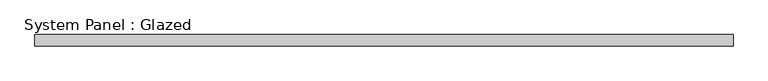
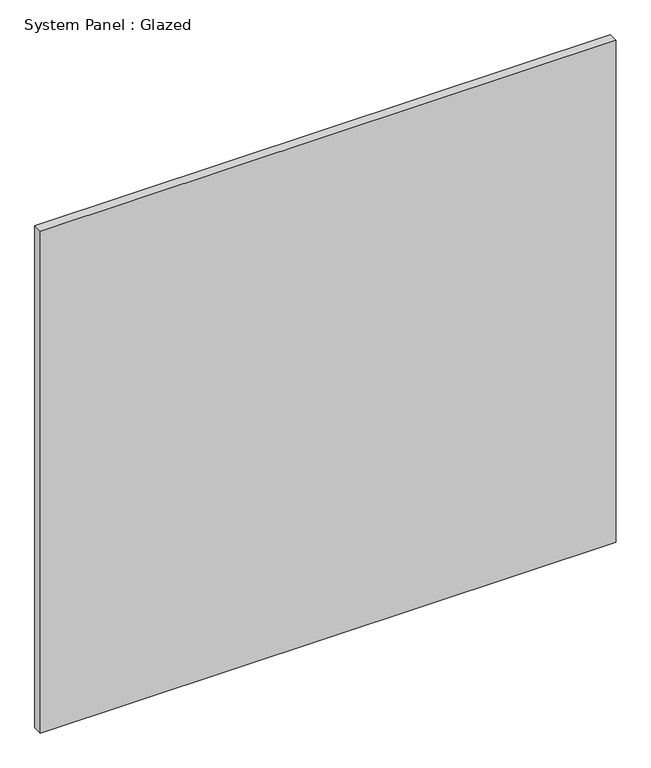
"""IFC4 building model written with IfcOpenShell, lengths in millimetres: plate geometry, System Panel : Glazed."""

from ifc_helpers import new_model, si_unit, origin, origin_with_axes, place, context, project, spatial, polyline, outline, extrude, source, transform, mapped, element, save


def system_panel_glazed_3008776d(model_context):
    return source(origin(), model_context, "Body", "SweptSolid", [
        extrude(outline(polyline([(756.7501169, 24.5), (-756.7501169, 24.5), (-756.7501169, 49.5), (756.7501169, 49.5), (756.7501169, 24.5)])), origin_with_axes(), (0.0, 0.0, 1.0), 1395.0),
    ])


if __name__ == "__main__":
    model = new_model("IFC4")
    model_context = context("Model", 3, world=origin())
    ifc_project = project(units=[si_unit("LENGTHUNIT", "METRE", prefix="MILLI")], contexts=[model_context])
    site = spatial("IfcSite", under=ifc_project)
    building = spatial("IfcBuilding", under=site)
    placement = place(None, origin())
    system_panel_glazed_shape = system_panel_glazed_3008776d(model_context)
    element("IfcPlate", 1, ObjectType="System Panel : Glazed", at=placement, inside=building, context=model_context, shape_type="MappedRepresentation", body=[
        mapped(system_panel_glazed_shape, transform((0.0, 0.0, 0.0), x_axis=(1.0, 0.0, 0.0), y_axis=(0.0, 1.0, 0.0), z_axis=(0.0, 0.0, 1.0))),
    ])
    save(model, "model.ifc")
